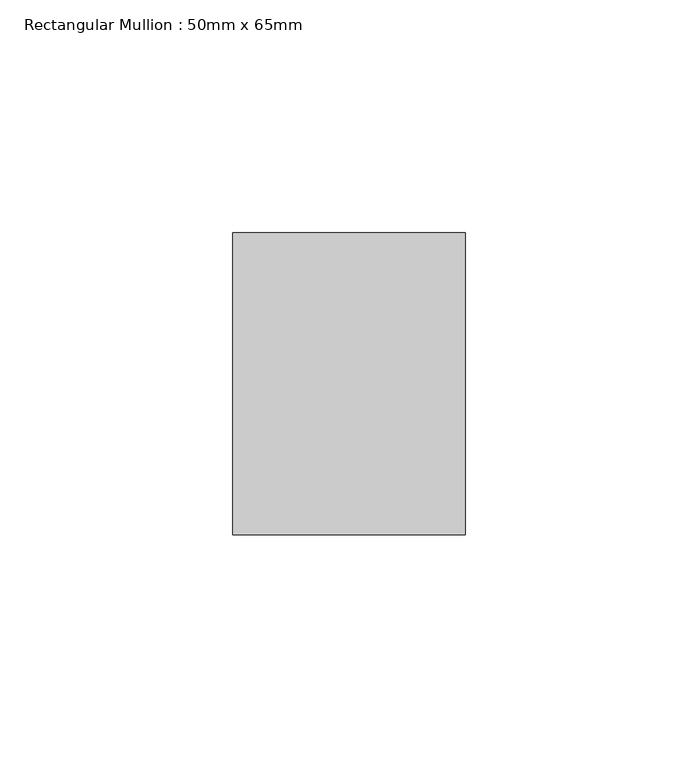
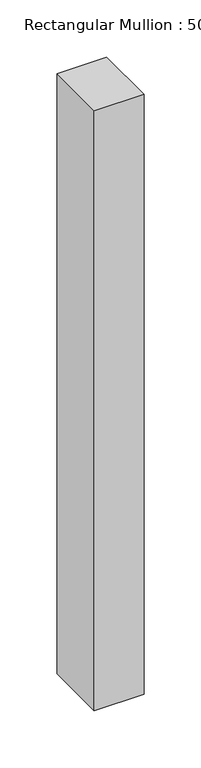
"""IFC4 building model written with IfcOpenShell, lengths in millimetres: member geometry, Rectangular Mullion : 50mm x 65mm."""

import ifcopenshell
import ifcopenshell.guid

model = None  # the IFC model being written
_history = None  # IfcOwnerHistory: only IFC2X3 demands one
_inside = {}  # id of a spatial element -> (the spatial element, [elements in it])
_under = {}  # id of a project, library or spatial element -> (it, [spatial elements below it])
_declared = {}  # id of a project -> (the project, [libraries it declares])
_typed = {}  # id of a type object -> (the type object, [elements of that type])
_made_of = {}  # id of a material, layer set ... -> (it, [elements and type objects made of it])


def new_model(schema):
    """Start an empty IFC model of exactly this schema.

    Asked for "IFC4X3", IfcOpenShell would pick the latest addendum, in which some entities
    have other attributes; the version numbers below select the first issue.
    IFC2X3 requires an IfcOwnerHistory on every rooted entity: one is made here for all.
    """
    global model, _history
    if schema == "IFC4X3":
        model = ifcopenshell.file(schema_version=(4, 3, 0, 0))
    else:
        model = ifcopenshell.file(schema=schema)
    _inside.clear()
    _under.clear()
    _declared.clear()
    _typed.clear()
    _made_of.clear()
    _history = None
    if model.schema == "IFC2X3":
        org = make("IfcOrganization", Name="unknown")
        user = make(
            "IfcPersonAndOrganization",
            ThePerson=make("IfcPerson", FamilyName="unknown"),
            TheOrganization=org,
        )
        app = make(
            "IfcApplication",
            ApplicationDeveloper=org,
            Version="unknown",
            ApplicationFullName="unknown",
            ApplicationIdentifier="unknown",
        )
        _history = make(
            "IfcOwnerHistory",
            OwningUser=user,
            OwningApplication=app,
            ChangeAction="ADDED",
            CreationDate=0,
        )
    return model


def make(cls, **values):
    """One entity of the class cls with the attributes given. An attribute that is None is left unset."""
    return model.create_entity(
        cls, **{name: value for name, value in values.items() if value is not None}
    )


def rooted(cls, **values):
    """An entity with a GlobalId (a new one), such as an element, a storey or a relation."""
    return make(cls, GlobalId=ifcopenshell.guid.new(), OwnerHistory=_history, **values)


def si_unit(unit_type, name, prefix=None):
    """IfcSIUnit, for example si_unit("LENGTHUNIT", "METRE", prefix="MILLI")."""
    return make("IfcSIUnit", UnitType=unit_type, Prefix=prefix, Name=name)


def assignment(units):
    """IfcUnitAssignment: the units of a project."""
    return None if units is None else make("IfcUnitAssignment", Units=units)


def point(xyz):
    """IfcCartesianPoint."""
    return None if xyz is None else make("IfcCartesianPoint", Coordinates=xyz)


def direction(xyz):
    """IfcDirection."""
    return None if xyz is None else make("IfcDirection", DirectionRatios=xyz)


def frame(location, z_axis=None, x_axis=None):
    """IfcAxis2Placement3D, a coordinate frame: its origin and axes. An axis left out is left unset."""
    return make(
        "IfcAxis2Placement3D",
        Location=point(location),
        Axis=direction(z_axis),
        RefDirection=direction(x_axis),
    )


def origin():
    """The frame at (0, 0, 0) with its axes left unset."""
    return frame((0.0, 0.0, 0.0))


def place(relative_to, where):
    """IfcLocalPlacement: puts the frame where relative to a parent placement (None: the world)."""
    return make(
        "IfcLocalPlacement", PlacementRelTo=relative_to, RelativePlacement=where
    )


def context(
    kind, dimensions, precision=None, world=None, true_north=None, identifier=None
):
    """IfcGeometricRepresentationContext, for example the 3D "Model" context."""
    return make(
        "IfcGeometricRepresentationContext",
        ContextIdentifier=identifier,
        ContextType=kind,
        CoordinateSpaceDimension=dimensions,
        Precision=precision,
        WorldCoordinateSystem=world,
        TrueNorth=true_north,
    )


def project(units=None, contexts=None):
    """IfcProject with its units and contexts."""
    return rooted(
        "IfcProject",
        Name="project",
        RepresentationContexts=contexts,
        UnitsInContext=assignment(units),
    )


def spatial(cls, under=None, at=None, **own):
    """A site, building, storey or space (cls), placed at a placement, below another one or the project."""
    s = rooted(cls, ObjectPlacement=at, **own)
    if under is not None:
        _under.setdefault(under.id(), (under, []))[1].append(s)
    return s


def polyline(points):
    """IfcPolyline through the points."""
    return make("IfcPolyline", Points=[point(p) for p in points])


def outline(outer, holes=None, kind="AREA"):
    """IfcArbitraryClosedProfileDef: a profile drawn as a closed curve; with holes, ...WithVoids."""
    if holes is None:
        return make("IfcArbitraryClosedProfileDef", ProfileType=kind, OuterCurve=outer)
    return make(
        "IfcArbitraryProfileDefWithVoids",
        ProfileType=kind,
        OuterCurve=outer,
        InnerCurves=holes,
    )


def extrude(swept, where, along, depth):
    """IfcExtrudedAreaSolid: the profile swept, set in the frame where, extruded along a direction by depth."""
    return make(
        "IfcExtrudedAreaSolid",
        SweptArea=swept,
        Position=where,
        ExtrudedDirection=direction(along),
        Depth=depth,
    )


def shape(context_of_items, identifier, shape_type, items):
    """IfcShapeRepresentation: the items that make up one representation, for example the "Body"."""
    return make(
        "IfcShapeRepresentation",
        ContextOfItems=context_of_items,
        RepresentationIdentifier=identifier,
        RepresentationType=shape_type,
        Items=items,
    )


def source(mapping_origin, context_of_items, identifier, shape_type, items):
    """IfcRepresentationMap: a shape defined once, which mapped items show again and again."""
    return make(
        "IfcRepresentationMap",
        MappingOrigin=mapping_origin,
        MappedRepresentation=shape(context_of_items, identifier, shape_type, items),
    )


def transform(
    local_origin,
    x_axis=None,
    y_axis=None,
    z_axis=None,
    scale=None,
    scale2=None,
    scale3=None,
    uniform=True,
):
    """IfcCartesianTransformationOperator3D, or its non-uniform kind. x_axis, y_axis, z_axis: its Axis1, 2, 3."""
    if uniform:
        return make(
            "IfcCartesianTransformationOperator3D",
            Axis1=direction(x_axis),
            Axis2=direction(y_axis),
            LocalOrigin=point(local_origin),
            Scale=scale,
            Axis3=direction(z_axis),
        )
    return make(
        "IfcCartesianTransformationOperator3DnonUniform",
        Axis1=direction(x_axis),
        Axis2=direction(y_axis),
        LocalOrigin=point(local_origin),
        Scale=scale,
        Axis3=direction(z_axis),
        Scale2=scale2,
        Scale3=scale3,
    )


def mapped(mapping_source, mapping_target):
    """IfcMappedItem: shows the shape of a source again, moved by a transform."""
    return make(
        "IfcMappedItem", MappingSource=mapping_source, MappingTarget=mapping_target
    )


def made_of(thing, what):
    """Note that an element or type object is made of a material, layer set ...; save() writes the relation."""
    if what is not None:
        _made_of.setdefault(what.id(), (what, []))[1].append(thing)
    return thing


def element(
    cls,
    number,
    at=None,
    inside=None,
    cuts=None,
    type_object=None,
    material=None,
    context=None,
    identifier="Body",
    shape_type=None,
    held_by="IfcProductDefinitionShape",
    body=None,
    shapes=None,
    **own,
):
    """One element of the class cls, such as IfcWall. Its Tag is "e" and its number.

    at: its placement. inside: the storey or other place that contains it. cuts: it is an
    opening in that element (IfcRelVoidsElement). A single representation is given by context,
    identifier, shape_type and body (its items); several are given by shapes. held_by: the class
    of the entity that holds the representations. save() writes the other relations.
    """
    e = rooted(cls, Tag="e%d" % number, ObjectPlacement=at, **own)
    if body is not None:
        shapes = [shape(context, identifier, shape_type, body)]
    if shapes is not None:
        e.Representation = make(held_by, Representations=shapes)
    if inside is not None:
        _inside.setdefault(inside.id(), (inside, []))[1].append(e)
    if cuts is not None:
        rooted(
            "IfcRelVoidsElement", RelatingBuildingElement=cuts, RelatedOpeningElement=e
        )
    if type_object is not None:
        _typed.setdefault(type_object.id(), (type_object, []))[1].append(e)
    return made_of(e, material)


def aggregate(whole, parts):
    """IfcRelAggregates: a whole, such as a stair, and the parts it consists of."""
    return rooted("IfcRelAggregates", RelatingObject=whole, RelatedObjects=parts)


def save(model, path):
    """Write the relations noted so far, then the file.

    IfcRelAggregates (storeys below a building ...), IfcRelContainedInSpatialStructure (elements
    in a storey), IfcRelDefinesByType, IfcRelAssociatesMaterial and IfcRelDeclares: one each for
    every whole, place, type object, material and project.
    """
    for whole, parts in _under.values():
        aggregate(whole, parts)
    for where, things in _inside.values():
        rooted(
            "IfcRelContainedInSpatialStructure",
            RelatedElements=things,
            RelatingStructure=where,
        )
    for kind, things in _typed.values():
        rooted("IfcRelDefinesByType", RelatedObjects=things, RelatingType=kind)
    for what, things in _made_of.values():
        rooted("IfcRelAssociatesMaterial", RelatedObjects=things, RelatingMaterial=what)
    for by, libraries in _declared.values():
        rooted("IfcRelDeclares", RelatingContext=by, RelatedDefinitions=libraries)
    model.write(path)


def rectangular_mullion_50mm_x_65mm_34bbba9b(model_context):
    return source(origin(), model_context, "Body", "SweptSolid", [
        extrude(outline(polyline([(25.0, 32.5), (25.0, -32.5), (-25.0, -32.5), (-25.0, 32.5), (25.0, 32.5)])), frame((0.0, 0.0, -639.7126705), z_axis=(0.0, 0.0, 1.0), x_axis=(1.0, 0.0, 0.0)), (0.0, 0.0, 1.0), 639.7126705),
    ])


if __name__ == "__main__":
    model = new_model("IFC4")
    model_context = context("Model", 3, world=origin())
    ifc_project = project(units=[si_unit("LENGTHUNIT", "METRE", prefix="MILLI")], contexts=[model_context])
    site = spatial("IfcSite", under=ifc_project)
    building = spatial("IfcBuilding", under=site)
    placement = place(None, origin())
    rectangular_mullion_50mm_x_65mm_shape = rectangular_mullion_50mm_x_65mm_34bbba9b(model_context)
    element("IfcMember", 1, ObjectType="Rectangular Mullion : 50mm x 65mm", at=placement, inside=building, context=model_context, shape_type="MappedRepresentation", body=[
        mapped(rectangular_mullion_50mm_x_65mm_shape, transform((0.0, 0.0, 0.0), x_axis=(1.0, 0.0, 0.0), y_axis=(0.0, 1.0, 0.0), z_axis=(0.0, 0.0, 1.0))),
    ])
    save(model, "model.ifc")
